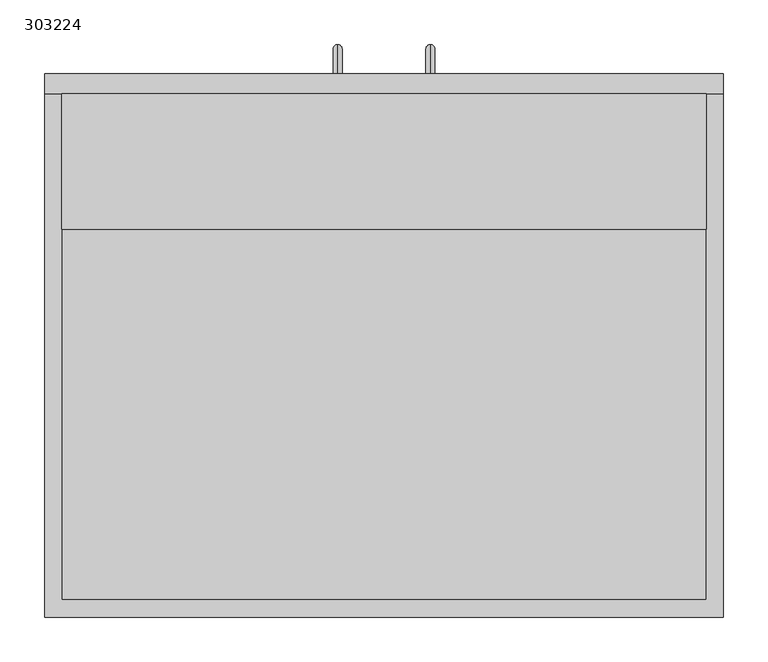
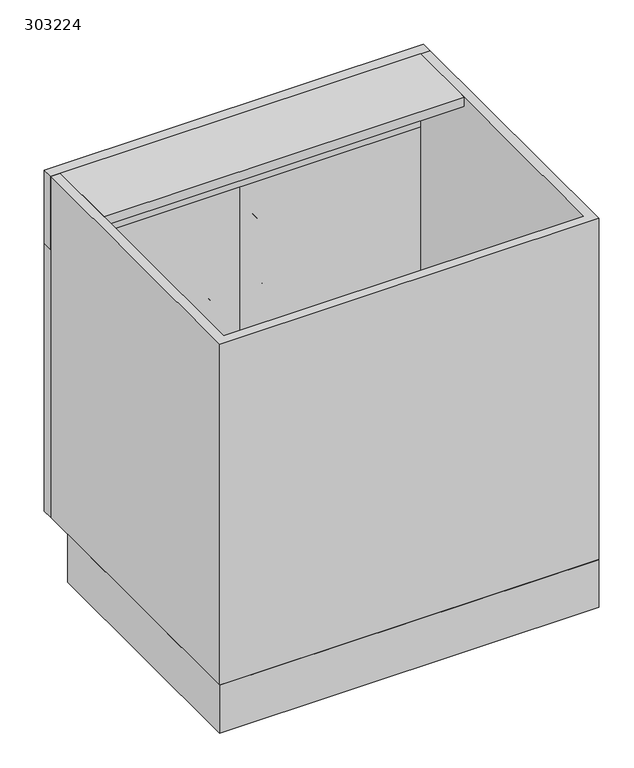
"""IFC4 building model written with IfcOpenShell, lengths in millimetres: furniture geometry, 303224."""

from ifc_helpers import new_model, si_unit, frame, origin, origin_with_axes, place, context, project, spatial, polyline, circle_curve, ellipse_curve, outline, extrude, source, transform, mapped, element, save
from ifc_brep_helpers import plane_surface, cylinder_surface, advanced_brep


def furniture_303224_91b396e1(model_context):
    return source(origin(), model_context, "Body", "SolidModel", [
        extrude(outline(polyline([(-362.2622951, 0.0), (-362.2622951, 528.6), (399.7377049, 528.6), (399.7377049, 0.0), (-362.2622951, 0.0)]), holes=[polyline([(-343.0622951, 509.4), (-343.0622951, 19.2), (380.5377049, 19.2), (380.5377049, 509.4), (-343.0622951, 509.4)])]), origin_with_axes(), (0.0, 0.0, 1.0), 101.6),
        extrude(outline(polyline([(380.5377049, 435.2), (-343.0622951, 435.2), (-343.0622951, 587.6), (380.5377049, 587.6), (380.5377049, 435.2)])), frame((0.0, 0.0, 806.3), z_axis=(0.0, 0.0, 1.0), x_axis=(1.0, 0.0, 0.0)), (0.0, 0.0, 1.0), 19.2),
        extrude(outline(polyline([(380.5377049, 587.6), (380.5377049, 19.2), (-343.0622951, 19.2), (-343.0622951, 587.6), (380.5377049, 587.6)])), frame((0.0, 0.0, 101.6), z_axis=(0.0, 0.0, 1.0), x_axis=(1.0, 0.0, 0.0)), (0.0, 0.0, 1.0), 19.2),
        advanced_brep(
        [(70.7377049, 609.6, 552.925), (70.7377049, 609.6, 562.925), (70.7377049, 642.6, 562.925), (70.7377049, 632.6, 552.925), (70.7377049, 642.6, 424.925), (70.7377049, 632.6, 434.925), (70.7377049, 609.6, 434.925), (70.7377049, 609.6, 424.925)],
        [
            (0, 1, circle_curve(frame((70.7377049, 609.6, 557.925), z_axis=(0.0, -1.0, 0.0), x_axis=(0.0, 0.0, 1.0)), 5.0)),
            (1, 0, circle_curve(frame((70.7377049, 609.6, 557.925), z_axis=(0.0, -1.0, 0.0), x_axis=(0.0, 0.0, 1.0)), 5.0)),
            (1, 2),
            (2, 3, ellipse_curve(frame((70.7377049, 637.6, 557.925), z_axis=(0.0, -0.7071067811865475, 0.7071067811865475), x_axis=(0.0, -0.7071067811865476, -0.7071067811865474)), 7.0710678, 5.0)),
            (3, 0),
            (3, 2, ellipse_curve(frame((70.7377049, 637.6, 557.925), z_axis=(0.0, -0.7071067811865475, 0.7071067811865475), x_axis=(0.0, -0.7071067811865476, -0.7071067811865474)), 7.0710678, 5.0)),
            (2, 4),
            (4, 5, ellipse_curve(frame((70.7377049, 637.6, 429.925), z_axis=(0.0, 0.7071067811865475, 0.7071067811865475), x_axis=(0.0, -0.7071067811865474, 0.7071067811865476)), 7.0710678, 5.0)),
            (5, 3),
            (5, 4, ellipse_curve(frame((70.7377049, 637.6, 429.925), z_axis=(0.0, 0.7071067811865475, 0.7071067811865475), x_axis=(0.0, -0.7071067811865474, 0.7071067811865476)), 7.0710678, 5.0)),
            (6, 7, circle_curve(frame((70.7377049, 609.6, 429.925), z_axis=(0.0, -1.0, 0.0), x_axis=(0.0, 0.0, -1.0)), 5.0)),
            (7, 6, circle_curve(frame((70.7377049, 609.6, 429.925), z_axis=(0.0, -1.0, 0.0), x_axis=(0.0, 0.0, -1.0)), 5.0)),
            (4, 7),
            (6, 5),
        ],
        [
            plane_surface(frame((70.7377049, 609.6, 557.925), z_axis=(0.0, -1.0, 0.0), x_axis=(-1.0, 0.0, 0.0))),
            cylinder_surface(frame((70.7377049, 609.6, 557.925), z_axis=(0.0, -1.0, 0.0), x_axis=(0.0, 0.0, 1.0)), 5.0),
            cylinder_surface(frame((70.7377049, 637.6, 557.925), z_axis=(0.0, 0.0, 1.0), x_axis=(0.0, 1.0, 0.0)), 5.0),
            plane_surface(frame((70.7377049, 609.6, 429.925), z_axis=(0.0, -1.0, 0.0), x_axis=(-1.0, 0.0, 0.0))),
            cylinder_surface(frame((70.7377049, 637.6, 429.925), z_axis=(0.0, 1.0, 0.0), x_axis=(0.0, 0.0, -1.0)), 5.0),
        ],
        [
            (0, [[1, 2]]),
            (1, [[3, 4, 5, -2]]),
            (1, [[-5, 6, -3, -1]]),
            (2, [[7, 8, 9, -4]]),
            (2, [[-9, 10, -7, -6]]),
            (3, [[11, 12]]),
            (4, [[13, -11, 14, -8]]),
            (4, [[-14, -12, -13, -10]]),
        ],
    ),
        advanced_brep(
        [(-33.2622951, 609.6, 562.925), (-33.2622951, 609.6, 552.925), (-33.2622951, 632.6, 552.925), (-33.2622951, 642.6, 562.925), (-33.2622951, 632.6, 434.925), (-33.2622951, 642.6, 424.925), (-33.2622951, 609.6, 424.925), (-33.2622951, 609.6, 434.925)],
        [
            (0, 1, circle_curve(frame((-33.2622951, 609.6, 557.925), z_axis=(0.0, -1.0, 0.0), x_axis=(0.0, 0.0, -1.0)), 5.0)),
            (1, 0, circle_curve(frame((-33.2622951, 609.6, 557.925), z_axis=(0.0, -1.0, 0.0), x_axis=(0.0, 0.0, -1.0)), 5.0)),
            (1, 2),
            (2, 3, ellipse_curve(frame((-33.2622951, 637.6, 557.925), z_axis=(0.0, -0.7071067811865475, 0.7071067811865475), x_axis=(0.0, -0.7071067811865476, -0.7071067811865474)), 7.0710678, 5.0)),
            (3, 0),
            (3, 2, ellipse_curve(frame((-33.2622951, 637.6, 557.925), z_axis=(0.0, -0.7071067811865475, 0.7071067811865475), x_axis=(0.0, -0.7071067811865476, -0.7071067811865474)), 7.0710678, 5.0)),
            (2, 4),
            (4, 5, ellipse_curve(frame((-33.2622951, 637.6, 429.925), z_axis=(0.0, 0.7071067811865475, 0.7071067811865475), x_axis=(0.0, -0.7071067811865474, 0.7071067811865476)), 7.0710678, 5.0)),
            (5, 3),
            (5, 4, ellipse_curve(frame((-33.2622951, 637.6, 429.925), z_axis=(0.0, 0.7071067811865475, 0.7071067811865475), x_axis=(0.0, -0.7071067811865474, 0.7071067811865476)), 7.0710678, 5.0)),
            (6, 7, circle_curve(frame((-33.2622951, 609.6, 429.925), z_axis=(0.0, -1.0, 0.0), x_axis=(0.0, 0.0, 1.0)), 5.0)),
            (7, 6, circle_curve(frame((-33.2622951, 609.6, 429.925), z_axis=(0.0, -1.0, 0.0), x_axis=(0.0, 0.0, 1.0)), 5.0)),
            (4, 7),
            (6, 5),
        ],
        [
            plane_surface(frame((-33.2622951, 609.6, 557.925), z_axis=(0.0, -1.0, 0.0), x_axis=(1.0, 0.0, 0.0))),
            cylinder_surface(frame((-33.2622951, 609.6, 557.925), z_axis=(0.0, -1.0, 0.0), x_axis=(0.0, 0.0, -1.0)), 5.0),
            cylinder_surface(frame((-33.2622951, 637.6, 557.925), z_axis=(0.0, 0.0, 1.0), x_axis=(0.0, -1.0, 0.0)), 5.0),
            plane_surface(frame((-33.2622951, 609.6, 429.925), z_axis=(0.0, -1.0, 0.0), x_axis=(1.0, 0.0, 0.0))),
            cylinder_surface(frame((-33.2622951, 637.6, 429.925), z_axis=(0.0, 1.0, 0.0), x_axis=(0.0, 0.0, 1.0)), 5.0),
        ],
        [
            (0, [[1, 2]]),
            (1, [[3, 4, 5, -2]]),
            (1, [[-5, 6, -3, -1]]),
            (2, [[7, 8, 9, -4]]),
            (2, [[-9, 10, -7, -6]]),
            (3, [[11, 12]]),
            (4, [[13, -11, 14, -8]]),
            (4, [[-14, -12, -13, -10]]),
        ],
    ),
        extrude(outline(polyline([(399.7377049, 587.6), (-362.2622951, 587.6), (-362.2622951, 609.6), (399.7377049, 609.6), (399.7377049, 587.6)])), frame((0.0, 0.0, 669.925), z_axis=(0.0, 0.0, 1.0), x_axis=(1.0, 0.0, 0.0)), (0.0, 0.0, 1.0), 155.575),
        extrude(outline(polyline([(18.7377049, 587.6), (18.7377049, 609.6), (399.7377049, 609.6), (399.7377049, 587.6), (18.7377049, 587.6)])), frame((0.0, 0.0, 101.6), z_axis=(0.0, 0.0, 1.0), x_axis=(1.0, 0.0, 0.0)), (0.0, 0.0, 1.0), 568.325),
        extrude(outline(polyline([(-362.2622951, 587.6), (-362.2622951, 609.6), (18.7377049, 609.6), (18.7377049, 587.6), (-362.2622951, 587.6)])), frame((0.0, 0.0, 101.6), z_axis=(0.0, 0.0, 1.0), x_axis=(1.0, 0.0, 0.0)), (0.0, 0.0, 1.0), 568.325),
        extrude(outline(polyline([(399.7377049, 587.6), (399.7377049, 0.0), (-362.2622951, 0.0), (-362.2622951, 587.6), (-343.0622951, 587.6), (-343.0622951, 19.2), (380.5377049, 19.2), (380.5377049, 587.6), (399.7377049, 587.6)])), frame((0.0, 0.0, 101.6), z_axis=(0.0, 0.0, 1.0), x_axis=(1.0, 0.0, 0.0)), (0.0, 0.0, 1.0), 723.9),
    ])


if __name__ == "__main__":
    model = new_model("IFC4")
    model_context = context("Model", 3, world=origin())
    ifc_project = project(units=[si_unit("LENGTHUNIT", "METRE", prefix="MILLI")], contexts=[model_context])
    site = spatial("IfcSite", under=ifc_project)
    building = spatial("IfcBuilding", under=site)
    placement = place(None, origin())
    furniture_303224_shape = furniture_303224_91b396e1(model_context)
    element("IfcFurniture", 1, ObjectType="303224", at=placement, inside=building, context=model_context, shape_type="MappedRepresentation", body=[
        mapped(furniture_303224_shape, transform((0.0, 0.0, 0.0), x_axis=(1.0, 0.0, 0.0), y_axis=(0.0, 1.0, 0.0), z_axis=(0.0, 0.0, 1.0))),
    ])
    save(model, "model.ifc")
